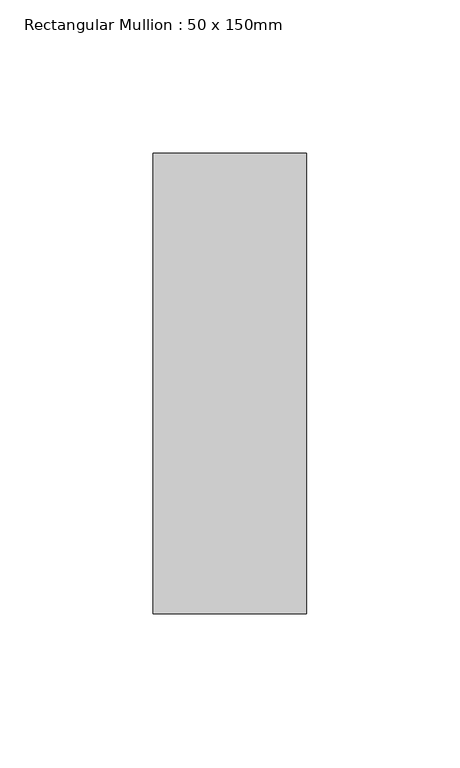
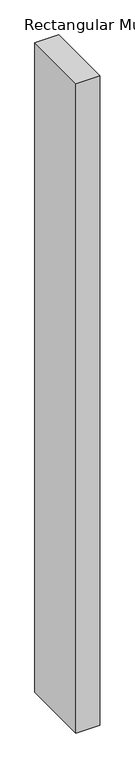
"""IFC4 building model written with IfcOpenShell, lengths in millimetres: member geometry, Rectangular Mullion : 50 x 150mm."""

from ifc_helpers import new_model, si_unit, frame, origin, place, context, project, spatial, polyline, outline, extrude, source, transform, mapped, element, save


def rectangular_mullion_50_x_150mm_f71f289d(model_context):
    return source(origin(), model_context, "Body", "SweptSolid", [
        extrude(outline(polyline([(25.0, 75.0), (25.0, -75.0), (-25.0, -75.0), (-25.0, 75.0), (25.0, 75.0)])), frame((0.0, 0.0, -1449.5806282), z_axis=(0.0, 0.0, 1.0), x_axis=(1.0, 0.0, 0.0)), (0.0, 0.0, 1.0), 1449.5806282),
    ])


if __name__ == "__main__":
    model = new_model("IFC4")
    model_context = context("Model", 3, world=origin())
    ifc_project = project(units=[si_unit("LENGTHUNIT", "METRE", prefix="MILLI")], contexts=[model_context])
    site = spatial("IfcSite", under=ifc_project)
    building = spatial("IfcBuilding", under=site)
    placement = place(None, origin())
    rectangular_mullion_50_x_150mm_shape = rectangular_mullion_50_x_150mm_f71f289d(model_context)
    element("IfcMember", 1, ObjectType="Rectangular Mullion : 50 x 150mm", at=placement, inside=building, context=model_context, shape_type="MappedRepresentation", body=[
        mapped(rectangular_mullion_50_x_150mm_shape, transform((0.0, 0.0, 0.0), x_axis=(1.0, 0.0, 0.0), y_axis=(0.0, 1.0, 0.0), z_axis=(0.0, 0.0, 1.0))),
    ])
    save(model, "model.ifc")
